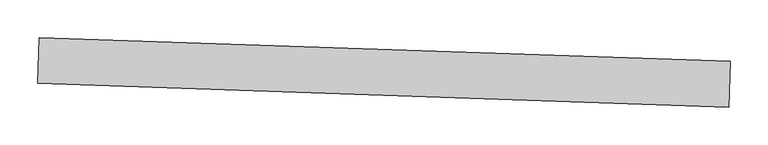
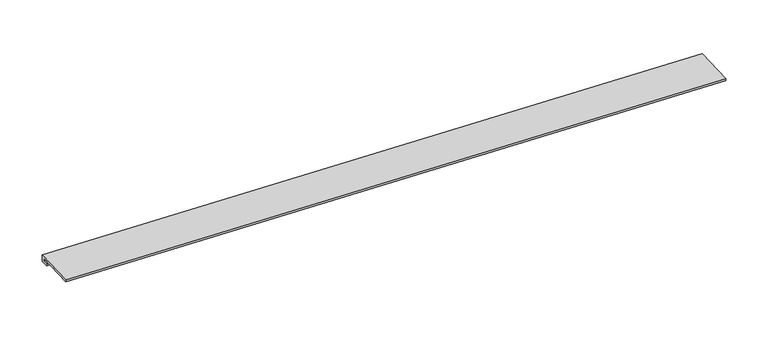
"""IFC4 building model written with IfcOpenShell, lengths in millimetres: proxy geometry."""

from ifc_helpers import new_model, si_unit, frame, origin, place, context, project, spatial, polyline, outline, extrude, source, transform, mapped, element, save


def generic_models_925adde7(model_context):
    return source(origin(), model_context, "Body", "SweptSolid", [
        extrude(outline(polyline([(0.0, 0.0), (9.5659166, 0.0), (9.5659166, -60.4630868), (6.3414503, -60.4630868), (6.3414503, -3.3130867), (2.8940922, -3.3130867), (2.8940922, -11.0333115), (0.0, -11.0333115), (0.0, 0.0)])), frame((34376.3535205, -14843.4098623, 2964.3008002), z_axis=(-0.9994149479166449, 0.03420178183618472, 0.0), x_axis=(0.0, 0.0, 1.0)), (0.0, 0.0, 1.0), 914.4),
    ])


if __name__ == "__main__":
    model = new_model("IFC4")
    model_context = context("Model", 3, world=origin())
    ifc_project = project(units=[si_unit("LENGTHUNIT", "METRE", prefix="MILLI")], contexts=[model_context])
    site = spatial("IfcSite", under=ifc_project)
    building = spatial("IfcBuilding", under=site)
    placement = place(None, origin())
    generic_models_shape = generic_models_925adde7(model_context)
    element("IfcBuildingElementProxy", 1, Name="Generic Models", at=placement, inside=building, context=model_context, shape_type="MappedRepresentation", body=[
        mapped(generic_models_shape, transform((0.0, 0.0, 0.0), x_axis=(1.0, 0.0, 0.0), y_axis=(0.0, 1.0, 0.0), z_axis=(0.0, 0.0, 1.0))),
    ])
    save(model, "model.ifc")
